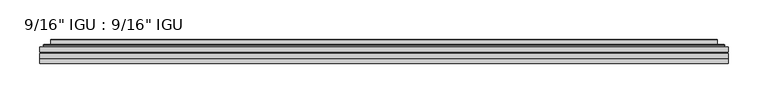
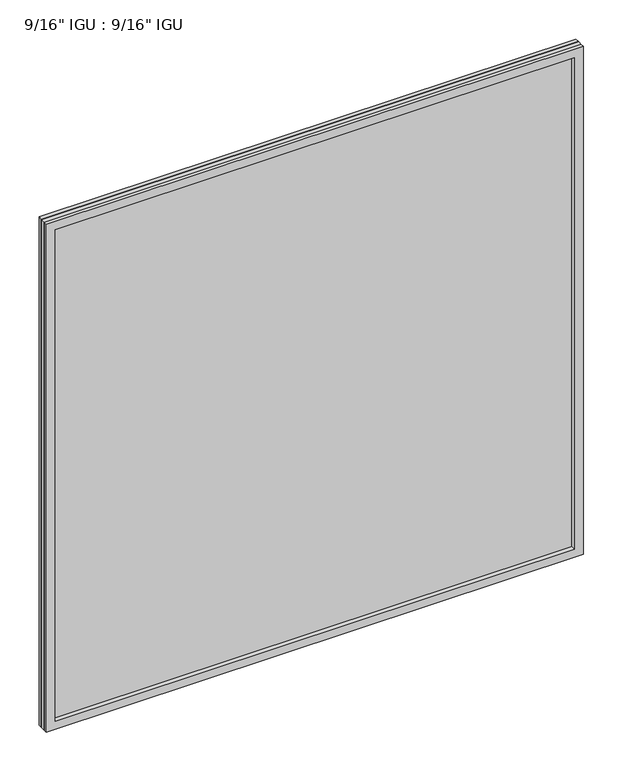
"""IFC4 building model written with IfcOpenShell, lengths in millimetres: plate geometry."""

from ifc_helpers import new_model, si_unit, frame, origin, place, context, project, spatial, polyline, ellipse_curve, outline, extrude, faceted_brep, source, transform, mapped, element, save
from ifc_brep_helpers import plane_surface, cylinder_surface, advanced_brep


def plate_da7cdb69(model_context):
    return source(origin(), model_context, "Body", "SolidModel", [
        extrude(outline(polyline([(434.989175, -54.78145), (434.989175, -61.1317818), (-434.975, -61.1317818), (-434.975, -54.78145), (434.989175, -54.78145)])), frame((0.0, 0.0, -14.2875), z_axis=(0.0, 0.0, 1.0), x_axis=(1.0, 0.0, 0.0)), (0.0, 0.0, 1.0), 869.9537979),
        extrude(outline(polyline([(-434.975, -69.05625), (-434.975, -62.705745), (434.989175, -62.705745), (434.989175, -69.05625), (-434.975, -69.05625)])), frame((0.0, 0.0, -14.2875), z_axis=(0.0, 0.0, 1.0), x_axis=(1.0, 0.0, 0.0)), (0.0, 0.0, 1.0), 869.9537979),
        faceted_brep([(-434.9877, -75.40625, 855.6752), (-434.9877, -69.05625, 855.6752), (-434.9877, -69.05625, -14.3002), (-434.9877, -75.40625, -14.3002), (434.9877, -69.05625, -14.3002), (434.9877, -75.40625, -14.3002), (434.9877, -69.05625, 855.6752), (434.9877, -75.40625, 855.6752), (-419.7897559, -69.05625, 0.8977441), (419.7897559, -69.05625, 0.8977441), (419.7897559, -69.05625, 840.4772559), (-419.7897559, -69.05625, 840.4772559), (-420.6821902, -75.40625, 841.3696902), (420.6821902, -75.40625, 841.3696902), (420.6821902, -75.40625, 0.0053098), (-420.6821902, -75.40625, 0.0053098)], [[[0, 1, 2, 3]], [[3, 2, 4, 5]], [[5, 4, 6, 7]], [[1, 6, 4, 2], [8, 9, 10, 11]], [[7, 6, 1, 0]], [[3, 5, 7, 0], [12, 13, 14, 15]], [[11, 12, 15, 8]], [[8, 15, 14, 9]], [[9, 14, 13, 10]], [[10, 13, 12, 11]]]),
        advanced_brep(
        [(-427.733719, -54.78145, 848.421219), (-430.0879244, -52.7917833, 850.7754244), (-430.0879244, -52.7917833, -9.4004244), (-427.733719, -54.78145, -7.046219), (-418.6593939, -50.941413, 839.3468939), (-413.7245621, -54.78145, 834.4120621), (-413.7245621, -54.78145, 6.9629379), (-418.6593939, -50.941413, 2.0281061), (-419.6914217, -45.5441819, 840.3789217), (-419.6914217, -45.5441819, 0.9960783), (-420.6820784, -45.1452069, 841.3695784), (-420.6820784, -45.1452069, 0.0054216), (-420.6820784, -51.60645, 841.3695784), (-420.6820784, -51.60645, 0.0054216), (-429.0861349, -51.60645, 849.7736349), (-429.0861349, -51.60645, -8.3986349), (430.0879244, -52.7917833, -9.4004244), (427.733719, -54.78145, -7.046219), (413.7245621, -54.78145, 6.9629379), (418.6593939, -50.941413, 2.0281061), (419.6914217, -45.5441819, 0.9960783), (420.6820784, -45.1452069, 0.0054216), (420.6820784, -51.60645, 0.0054216), (429.0861349, -51.60645, -8.3986349), (430.0879244, -52.7917833, 850.7754244), (427.733719, -54.78145, 848.421219), (413.7245621, -54.78145, 834.4120621), (418.6593939, -50.941413, 839.3468939), (419.6914217, -45.5441819, 840.3789217), (420.6820784, -45.1452069, 841.3695784), (420.6820784, -51.60645, 841.3695784), (429.0861349, -51.60645, 849.7736349)],
        [
            (0, 1, ellipse_curve(frame((-427.733719, -52.39385, 848.421219), z_axis=(-0.7071067811865475, 0.0, -0.7071067811865475), x_axis=(-0.7071067811865474, 0.0, 0.7071067811865476)), 3.3765763, 2.3876)),
            (1, 2),
            (2, 3, ellipse_curve(frame((-427.733719, -52.39385, -7.046219), z_axis=(-0.7071067811865475, 0.0, 0.7071067811865475), x_axis=(0.7071067811865474, 0.0, 0.7071067811865476)), 3.3765763, 2.3876)),
            (3, 0),
            (4, 5),
            (5, 6),
            (6, 7),
            (7, 4),
            (8, 4),
            (7, 9),
            (9, 8),
            (10, 8, ellipse_curve(frame((-420.3151219, -45.6634423, 841.0026219), z_axis=(-0.7071067811865475, 0.0, -0.7071067811865475), x_axis=(-0.7071067811865474, 0.0, 0.7071067811865476)), 0.8980256, 0.635)),
            (9, 11, ellipse_curve(frame((-420.3151219, -45.6634423, 0.3723781), z_axis=(-0.7071067811865475, 0.0, 0.7071067811865475), x_axis=(0.7071067811865474, 0.0, 0.7071067811865476)), 0.8980256, 0.635)),
            (11, 10),
            (12, 10),
            (11, 13),
            (13, 12),
            (1, 14, ellipse_curve(frame((-429.0861349, -52.62245, 849.7736349), z_axis=(-0.7071067811865475, 0.0, -0.7071067811865475), x_axis=(-0.7071067811865474, 0.0, 0.7071067811865476)), 1.436841, 1.016)),
            (14, 15),
            (15, 2, ellipse_curve(frame((-429.0861349, -52.62245, -8.3986349), z_axis=(-0.7071067811865475, 0.0, 0.7071067811865475), x_axis=(0.7071067811865474, 0.0, 0.7071067811865476)), 1.436841, 1.016)),
            (2, 16),
            (16, 17, ellipse_curve(frame((427.733719, -52.39385, -7.046219), z_axis=(-0.7071067811865475, 0.0, -0.7071067811865475), x_axis=(-0.7071067811865476, 0.0, 0.7071067811865474)), 3.3765763, 2.3876)),
            (17, 3),
            (6, 18),
            (18, 19),
            (19, 7),
            (19, 20),
            (20, 9),
            (20, 21, ellipse_curve(frame((420.3151219, -45.6634423, 0.3723781), z_axis=(-0.7071067811865475, 0.0, -0.7071067811865475), x_axis=(-0.7071067811865476, 0.0, 0.7071067811865474)), 0.8980256, 0.635)),
            (21, 11),
            (21, 22),
            (22, 13),
            (15, 23),
            (23, 16, ellipse_curve(frame((429.0861349, -52.62245, -8.3986349), z_axis=(-0.7071067811865475, 0.0, -0.7071067811865475), x_axis=(-0.7071067811865476, 0.0, 0.7071067811865474)), 1.436841, 1.016)),
            (16, 24),
            (24, 25, ellipse_curve(frame((427.733719, -52.39385, 848.421219), z_axis=(0.7071067811865475, 0.0, -0.7071067811865475), x_axis=(-0.7071067811865474, 0.0, -0.7071067811865476)), 3.3765763, 2.3876)),
            (25, 17),
            (18, 26),
            (26, 27),
            (27, 19),
            (27, 28),
            (28, 20),
            (28, 29, ellipse_curve(frame((420.3151219, -45.6634423, 841.0026219), z_axis=(0.7071067811865475, 0.0, -0.7071067811865475), x_axis=(-0.7071067811865474, 0.0, -0.7071067811865476)), 0.8980256, 0.635)),
            (29, 21),
            (29, 30),
            (30, 22),
            (23, 31),
            (31, 24, ellipse_curve(frame((429.0861349, -52.62245, 849.7736349), z_axis=(0.7071067811865475, 0.0, -0.7071067811865475), x_axis=(-0.7071067811865474, 0.0, -0.7071067811865476)), 1.436841, 1.016)),
            (24, 1),
            (0, 25),
            (5, 26),
            (4, 27),
            (8, 28),
            (10, 29),
            (12, 30),
            (14, 31),
        ],
        [
            cylinder_surface(frame((-427.733719, -52.39385, 873.125), z_axis=(0.0, 0.0, 1.0), x_axis=(-1.0, 0.0, 0.0)), 2.3876),
            plane_surface(frame((-413.7245621, -54.78145, 834.4120621), z_axis=(0.6141233906514794, 0.7892100234124821, 0.0), x_axis=(0.0, 0.0, -1.0))),
            plane_surface(frame((-418.6593939, -50.941413, 839.3468939), z_axis=(0.9822050625507728, 0.18781164793386088, 0.0), x_axis=(0.0, 0.0, -1.0))),
            cylinder_surface(frame((-420.3151219, -45.6634423, 873.125), z_axis=(0.0, 0.0, 1.0), x_axis=(-1.0, 0.0, 0.0)), 0.635),
            plane_surface(frame((-420.6820784, -45.1452069, 841.3695784), z_axis=(-1.0, 0.0, 0.0), x_axis=(0.0, 0.0, -1.0))),
            cylinder_surface(frame((-429.0861349, -52.62245, 873.125), z_axis=(0.0, 0.0, 1.0), x_axis=(-1.0, 0.0, 0.0)), 1.016),
            cylinder_surface(frame((-452.4375, -52.39385, -7.046219), z_axis=(-1.0, 0.0, 0.0), x_axis=(0.0, 0.0, -1.0)), 2.3876),
            plane_surface(frame((-413.7245621, -54.78145, 6.9629379), z_axis=(0.0, 0.7892100234124841, 0.6141233906514768), x_axis=(1.0, 0.0, 0.0))),
            plane_surface(frame((-418.6593939, -50.941413, 2.0281061), z_axis=(0.0, 0.18781164793386404, 0.9822050625507722), x_axis=(1.0, 0.0, 0.0))),
            cylinder_surface(frame((-452.4375, -45.6634423, 0.3723781), z_axis=(-1.0, 0.0, 0.0), x_axis=(0.0, 0.0, -1.0)), 0.635),
            plane_surface(frame((-420.6820784, -45.1452069, 0.0054216), z_axis=(0.0, 0.0, -1.0), x_axis=(1.0, 0.0, 0.0))),
            cylinder_surface(frame((-452.4375, -52.62245, -8.3986349), z_axis=(-1.0, 0.0, 0.0), x_axis=(0.0, 0.0, -1.0)), 1.016),
            cylinder_surface(frame((427.733719, -52.39385, -31.75), z_axis=(0.0, 0.0, -1.0), x_axis=(1.0, 0.0, 0.0)), 2.3876),
            plane_surface(frame((413.7245621, -54.78145, 6.9629379), z_axis=(-0.6141233906514743, 0.7892100234124861, 0.0), x_axis=(0.0, 0.0, 1.0))),
            plane_surface(frame((418.6593939, -50.941413, 2.0281061), z_axis=(-0.9822050625507717, 0.1878116479338672, 0.0), x_axis=(0.0, 0.0, 1.0))),
            cylinder_surface(frame((420.3151219, -45.6634423, -31.75), z_axis=(0.0, 0.0, -1.0), x_axis=(1.0, 0.0, 0.0)), 0.635),
            plane_surface(frame((420.6820784, -45.1452069, 0.0054216), z_axis=(1.0, 0.0, 0.0), x_axis=(0.0, 0.0, 1.0))),
            cylinder_surface(frame((429.0861349, -52.62245, -31.75), z_axis=(0.0, 0.0, -1.0), x_axis=(1.0, 0.0, 0.0)), 1.016),
            cylinder_surface(frame((452.4375, -52.39385, 848.421219), z_axis=(1.0, 0.0, 0.0), x_axis=(0.0, 0.0, 1.0)), 2.3876),
            plane_surface(frame((427.733719, -54.78145, 848.421219), z_axis=(0.0, -1.0, 0.0), x_axis=(-1.0, 0.0, 0.0))),
            plane_surface(frame((413.7245621, -54.78145, 834.4120621), z_axis=(0.0, 0.7892100234124841, -0.6141233906514768), x_axis=(-1.0, 0.0, 0.0))),
            plane_surface(frame((418.6593939, -50.941413, 839.3468939), z_axis=(0.0, 0.18781164793386404, -0.9822050625507722), x_axis=(-1.0, 0.0, 0.0))),
            cylinder_surface(frame((452.4375, -45.6634423, 841.0026219), z_axis=(1.0, 0.0, 0.0), x_axis=(0.0, 0.0, 1.0)), 0.635),
            plane_surface(frame((420.6820784, -45.1452069, 841.3695784), z_axis=(0.0, 0.0, 1.0), x_axis=(-1.0, 0.0, 0.0))),
            plane_surface(frame((420.6820784, -51.60645, 841.3695784), z_axis=(0.0, 1.0, 0.0), x_axis=(-1.0, 0.0, 0.0))),
            cylinder_surface(frame((452.4375, -52.62245, 849.7736349), z_axis=(1.0, 0.0, 0.0), x_axis=(0.0, 0.0, 1.0)), 1.016),
        ],
        [
            (0, [[1, 2, 3, 4]]),
            (1, [[5, 6, 7, 8]]),
            (2, [[9, -8, 10, 11]]),
            (3, [[12, -11, 13, 14]]),
            (4, [[15, -14, 16, 17]]),
            (5, [[18, 19, 20, -2]]),
            (6, [[-3, 21, 22, 23]]),
            (7, [[-7, 24, 25, 26]]),
            (8, [[-10, -26, 27, 28]]),
            (9, [[-13, -28, 29, 30]]),
            (10, [[-16, -30, 31, 32]]),
            (11, [[-20, 33, 34, -21]]),
            (12, [[-22, 35, 36, 37]]),
            (13, [[-25, 38, 39, 40]]),
            (14, [[-27, -40, 41, 42]]),
            (15, [[-29, -42, 43, 44]]),
            (16, [[-31, -44, 45, 46]]),
            (17, [[-34, 47, 48, -35]]),
            (18, [[-36, 49, -1, 50]]),
            (19, [[-23, -37, -50, -4], [51, -38, -24, -6]]),
            (20, [[-39, -51, -5, 52]]),
            (21, [[-41, -52, -9, 53]]),
            (22, [[-43, -53, -12, 54]]),
            (23, [[-45, -54, -15, 55]]),
            (24, [[56, -47, -33, -19], [-32, -46, -55, -17]]),
            (25, [[-48, -56, -18, -49]]),
        ],
    ),
    ])


if __name__ == "__main__":
    model = new_model("IFC4")
    model_context = context("Model", 3, world=origin())
    ifc_project = project(units=[si_unit("LENGTHUNIT", "METRE", prefix="MILLI")], contexts=[model_context])
    site = spatial("IfcSite", under=ifc_project)
    building = spatial("IfcBuilding", under=site)
    placement = place(None, origin())
    plate_shape = plate_da7cdb69(model_context)
    element("IfcPlate", 1, ObjectType="9/16\" IGU : 9/16\" IGU", at=placement, inside=building, context=model_context, shape_type="MappedRepresentation", body=[
        mapped(plate_shape, transform((0.0, 0.0, 0.0), x_axis=(1.0, 0.0, 0.0), y_axis=(0.0, 1.0, 0.0), z_axis=(0.0, 0.0, 1.0))),
    ])
    save(model, "model.ifc")
